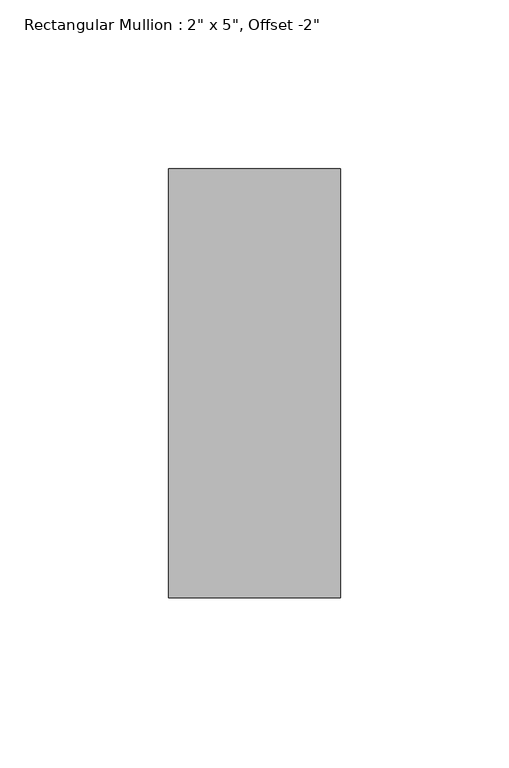
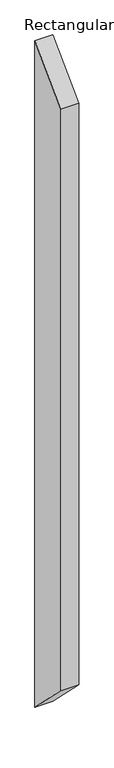
"""IFC4 building model written with IfcOpenShell, lengths in millimetres: member geometry."""

from ifc_helpers import new_model, si_unit, frame, origin, place, context, project, spatial, polyline, outline, extrude, source, transform, mapped, element, save


def member_b0172c09(model_context):
    return source(origin(), model_context, "Body", "SweptSolid", [
        extrude(outline(polyline([(-114.3, -114.3), (12.7, 12.7), (12.7, -1974.85), (-114.3, -1847.85), (-114.3, -114.3)])), frame((-50.8, 0.0, 0.0), z_axis=(1.0, 0.0, 0.0), x_axis=(0.0, 1.0, 0.0)), (0.0, 0.0, 1.0), 50.8),
    ])


if __name__ == "__main__":
    model = new_model("IFC4")
    model_context = context("Model", 3, world=origin())
    ifc_project = project(units=[si_unit("LENGTHUNIT", "METRE", prefix="MILLI")], contexts=[model_context])
    site = spatial("IfcSite", under=ifc_project)
    building = spatial("IfcBuilding", under=site)
    placement = place(None, origin())
    member_shape = member_b0172c09(model_context)
    element("IfcMember", 1, ObjectType="Rectangular Mullion : 2\" x 5\", Offset -2\"", at=placement, inside=building, context=model_context, shape_type="MappedRepresentation", body=[
        mapped(member_shape, transform((0.0, 0.0, 0.0), x_axis=(1.0, 0.0, 0.0), y_axis=(0.0, 1.0, 0.0), z_axis=(0.0, 0.0, 1.0))),
    ])
    save(model, "model.ifc")
